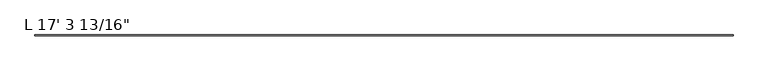
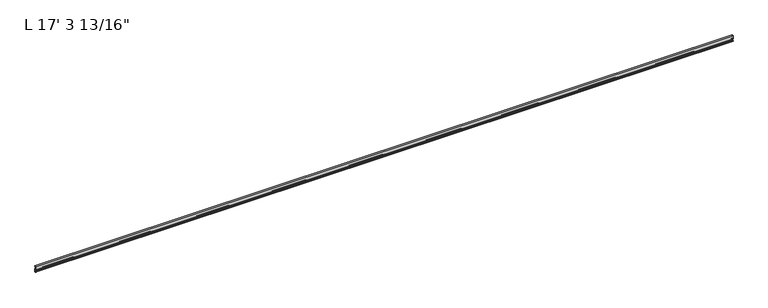
"""IFC4 building model written with IfcOpenShell, lengths in millimetres: proxy geometry."""

from ifc_helpers import new_model, si_unit, point, frame, frame_2d, origin, place, context, project, spatial, polyline, circle_curve, trimmed, segment, composite_curve, outline, extrude, source, transform, mapped, element, save


def proxy_51bb0ce7(model_context):
    return source(origin(), model_context, "Body", "SweptSolid", [
        extrude(outline(composite_curve([segment(trimmed(circle_curve(frame_2d((14.5481808, -29.2063136)), 3.048), [point((13.6400687, -32.1158903))], [point((11.9462301, -30.7938136))], False, "CARTESIAN"), True, "CONTINUOUS"), segment(trimmed(circle_curve(frame_2d((14.5481808, -29.2063136)), 3.048), [point((11.9462301, -30.7938136))], [point((13.6400687, -26.2967369))], False, "CARTESIAN"), True, "CONTINUOUS"), segment(polyline([(13.6400687, -26.2967369), (15.4364113, -25.7360779)]), True, "CONTINUOUS"), segment(trimmed(circle_curve(frame_2d((15.6245238, -26.2747792)), 0.5706009), [point((15.4364113, -25.7360779))], [point((16.1779173, -26.4138515))], False, "CARTESIAN"), True, "CONTINUOUS"), segment(trimmed(circle_curve(frame_2d((16.9169378, -26.5995734)), 0.762), [point((16.1779173, -26.4138515))], [point((16.9376166, -27.3612928))], True, "CARTESIAN"), True, "CONTINUOUS"), segment(trimmed(circle_curve(frame_2d((16.9545, -26.8535734)), 0.508), [point((16.9376166, -27.3612928))], [point((17.4625, -26.8535734))], True, "CARTESIAN"), True, "CONTINUOUS"), segment(polyline([(17.4625, -26.8535734), (17.4625, -15.6659614), (17.9716639, -14.7485418), (17.9716639, -13.408381), (17.4625, -12.4909614), (17.4625, -10.1123329)]), True, "CONTINUOUS"), segment(trimmed(circle_curve(frame_2d((15.875, -10.1123329)), 1.5875), [point((17.4625, -10.1123329))], [point((15.875, -8.5248329))], True, "CARTESIAN"), True, "CONTINUOUS"), segment(polyline([(15.875, -8.5248329), (11.1125, -8.5248329), (11.1125, 16.8792515), (19.05, 16.8792515), (19.05, 13.7042515), (17.4625, 13.7042515), (17.4625, 15.2917515), (12.7, 15.2917515), (12.7, -6.9145734), (17.4625, -6.9145734)]), True, "CONTINUOUS"), segment(trimmed(circle_curve(frame_2d((17.4625, -8.5020734)), 1.5875), [point((17.4625, -6.9145734))], [point((19.05, -8.5020734))], False, "CARTESIAN"), True, "CONTINUOUS"), segment(polyline([(19.05, -8.5020734), (19.05, -29.1395734), (17.7424378, -29.1395734)]), True, "CONTINUOUS"), segment(trimmed(circle_curve(frame_2d((17.7424378, -30.7270734)), 1.5875), [point((17.7424378, -29.1395734))], [point((16.1549378, -30.7270734))], True, "CARTESIAN"), True, "CONTINUOUS"), segment(polyline([(16.1549378, -30.7270734), (16.1549378, -32.2686835)]), True, "CONTINUOUS"), segment(trimmed(circle_curve(frame_2d((15.6853088, -32.2686835)), 0.4696291), [point((16.1549378, -32.2686835))], [point((15.4750158, -32.6885982))], False, "CARTESIAN"), True, "CONTINUOUS"), segment(polyline([(15.4750158, -32.6885982), (13.6400687, -32.1158903)]), True, "CONTINUOUS")], self_intersect=False)), frame((-4973.6375, 0.0, 0.0), z_axis=(1.0, 0.0, 0.0), x_axis=(0.0, 1.0, 0.0)), (0.0, 0.0, 1.0), 5278.4375),
    ])


if __name__ == "__main__":
    model = new_model("IFC4")
    model_context = context("Model", 3, world=origin())
    ifc_project = project(units=[si_unit("LENGTHUNIT", "METRE", prefix="MILLI")], contexts=[model_context])
    site = spatial("IfcSite", under=ifc_project)
    building = spatial("IfcBuilding", under=site)
    placement = place(None, origin())
    proxy_shape = proxy_51bb0ce7(model_context)
    element("IfcBuildingElementProxy", 1, Name="L 17' 3 13/16\"", ObjectType="L 17' 3 13/16\"", at=placement, inside=building, context=model_context, shape_type="MappedRepresentation", body=[
        mapped(proxy_shape, transform((0.0, 0.0, 0.0), x_axis=(1.0, 0.0, 0.0), y_axis=(0.0, 1.0, 0.0), z_axis=(0.0, 0.0, 1.0))),
    ])
    save(model, "model.ifc")
